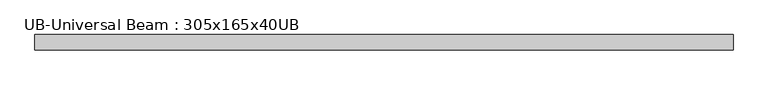
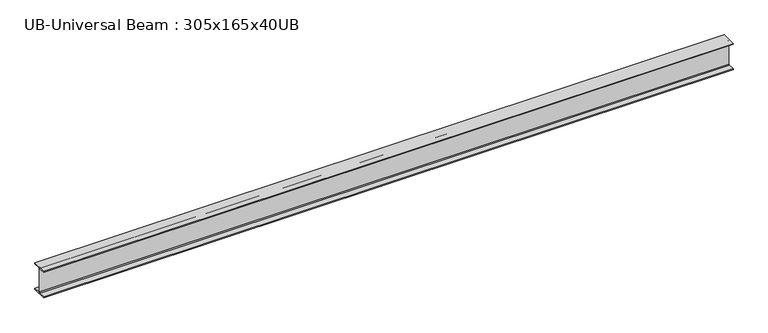
"""IFC4 building model written with IfcOpenShell, lengths in millimetres: beam geometry, UB-Universal Beam : 305x165x40UB."""

import ifcopenshell
import ifcopenshell.guid

model = None  # the IFC model being written
_history = None  # IfcOwnerHistory: only IFC2X3 demands one
_inside = {}  # id of a spatial element -> (the spatial element, [elements in it])
_under = {}  # id of a project, library or spatial element -> (it, [spatial elements below it])
_declared = {}  # id of a project -> (the project, [libraries it declares])
_typed = {}  # id of a type object -> (the type object, [elements of that type])
_made_of = {}  # id of a material, layer set ... -> (it, [elements and type objects made of it])


def new_model(schema):
    """Start an empty IFC model of exactly this schema.

    Asked for "IFC4X3", IfcOpenShell would pick the latest addendum, in which some entities
    have other attributes; the version numbers below select the first issue.
    IFC2X3 requires an IfcOwnerHistory on every rooted entity: one is made here for all.
    """
    global model, _history
    if schema == "IFC4X3":
        model = ifcopenshell.file(schema_version=(4, 3, 0, 0))
    else:
        model = ifcopenshell.file(schema=schema)
    _inside.clear()
    _under.clear()
    _declared.clear()
    _typed.clear()
    _made_of.clear()
    _history = None
    if model.schema == "IFC2X3":
        org = make("IfcOrganization", Name="unknown")
        user = make(
            "IfcPersonAndOrganization",
            ThePerson=make("IfcPerson", FamilyName="unknown"),
            TheOrganization=org,
        )
        app = make(
            "IfcApplication",
            ApplicationDeveloper=org,
            Version="unknown",
            ApplicationFullName="unknown",
            ApplicationIdentifier="unknown",
        )
        _history = make(
            "IfcOwnerHistory",
            OwningUser=user,
            OwningApplication=app,
            ChangeAction="ADDED",
            CreationDate=0,
        )
    return model


def make(cls, **values):
    """One entity of the class cls with the attributes given. An attribute that is None is left unset."""
    return model.create_entity(
        cls, **{name: value for name, value in values.items() if value is not None}
    )


def rooted(cls, **values):
    """An entity with a GlobalId (a new one), such as an element, a storey or a relation."""
    return make(cls, GlobalId=ifcopenshell.guid.new(), OwnerHistory=_history, **values)


def si_unit(unit_type, name, prefix=None):
    """IfcSIUnit, for example si_unit("LENGTHUNIT", "METRE", prefix="MILLI")."""
    return make("IfcSIUnit", UnitType=unit_type, Prefix=prefix, Name=name)


def assignment(units):
    """IfcUnitAssignment: the units of a project."""
    return None if units is None else make("IfcUnitAssignment", Units=units)


def point(xyz):
    """IfcCartesianPoint."""
    return None if xyz is None else make("IfcCartesianPoint", Coordinates=xyz)


def direction(xyz):
    """IfcDirection."""
    return None if xyz is None else make("IfcDirection", DirectionRatios=xyz)


def frame(location, z_axis=None, x_axis=None):
    """IfcAxis2Placement3D, a coordinate frame: its origin and axes. An axis left out is left unset."""
    return make(
        "IfcAxis2Placement3D",
        Location=point(location),
        Axis=direction(z_axis),
        RefDirection=direction(x_axis),
    )


def frame_2d(location, x_axis=None):
    """IfcAxis2Placement2D, a coordinate frame in the plane: its origin and x axis."""
    return make(
        "IfcAxis2Placement2D", Location=point(location), RefDirection=direction(x_axis)
    )


def origin():
    """The frame at (0, 0, 0) with its axes left unset."""
    return frame((0.0, 0.0, 0.0))


def place(relative_to, where):
    """IfcLocalPlacement: puts the frame where relative to a parent placement (None: the world)."""
    return make(
        "IfcLocalPlacement", PlacementRelTo=relative_to, RelativePlacement=where
    )


def context(
    kind, dimensions, precision=None, world=None, true_north=None, identifier=None
):
    """IfcGeometricRepresentationContext, for example the 3D "Model" context."""
    return make(
        "IfcGeometricRepresentationContext",
        ContextIdentifier=identifier,
        ContextType=kind,
        CoordinateSpaceDimension=dimensions,
        Precision=precision,
        WorldCoordinateSystem=world,
        TrueNorth=true_north,
    )


def project(units=None, contexts=None):
    """IfcProject with its units and contexts."""
    return rooted(
        "IfcProject",
        Name="project",
        RepresentationContexts=contexts,
        UnitsInContext=assignment(units),
    )


def spatial(cls, under=None, at=None, **own):
    """A site, building, storey or space (cls), placed at a placement, below another one or the project."""
    s = rooted(cls, ObjectPlacement=at, **own)
    if under is not None:
        _under.setdefault(under.id(), (under, []))[1].append(s)
    return s


def polyline(points):
    """IfcPolyline through the points."""
    return make("IfcPolyline", Points=[point(p) for p in points])


def circle_curve(where, radius):
    """IfcCircle in the frame where."""
    return make("IfcCircle", Position=where, Radius=radius)


def trimmed(basis, trim1, trim2, sense, master):
    """IfcTrimmedCurve: the piece of a basis curve between two trims."""
    return make(
        "IfcTrimmedCurve",
        BasisCurve=basis,
        Trim1=trim1,
        Trim2=trim2,
        SenseAgreement=sense,
        MasterRepresentation=master,
    )


def segment(curve, same_sense, transition):
    """IfcCompositeCurveSegment."""
    return make(
        "IfcCompositeCurveSegment",
        Transition=transition,
        SameSense=same_sense,
        ParentCurve=curve,
    )


def composite_curve(segments, self_intersect=None):
    """IfcCompositeCurve: segments joined end to end."""
    return make("IfcCompositeCurve", Segments=segments, SelfIntersect=self_intersect)


def outline(outer, holes=None, kind="AREA"):
    """IfcArbitraryClosedProfileDef: a profile drawn as a closed curve; with holes, ...WithVoids."""
    if holes is None:
        return make("IfcArbitraryClosedProfileDef", ProfileType=kind, OuterCurve=outer)
    return make(
        "IfcArbitraryProfileDefWithVoids",
        ProfileType=kind,
        OuterCurve=outer,
        InnerCurves=holes,
    )


def extrude(swept, where, along, depth):
    """IfcExtrudedAreaSolid: the profile swept, set in the frame where, extruded along a direction by depth."""
    return make(
        "IfcExtrudedAreaSolid",
        SweptArea=swept,
        Position=where,
        ExtrudedDirection=direction(along),
        Depth=depth,
    )


def shape(context_of_items, identifier, shape_type, items):
    """IfcShapeRepresentation: the items that make up one representation, for example the "Body"."""
    return make(
        "IfcShapeRepresentation",
        ContextOfItems=context_of_items,
        RepresentationIdentifier=identifier,
        RepresentationType=shape_type,
        Items=items,
    )


def source(mapping_origin, context_of_items, identifier, shape_type, items):
    """IfcRepresentationMap: a shape defined once, which mapped items show again and again."""
    return make(
        "IfcRepresentationMap",
        MappingOrigin=mapping_origin,
        MappedRepresentation=shape(context_of_items, identifier, shape_type, items),
    )


def transform(
    local_origin,
    x_axis=None,
    y_axis=None,
    z_axis=None,
    scale=None,
    scale2=None,
    scale3=None,
    uniform=True,
):
    """IfcCartesianTransformationOperator3D, or its non-uniform kind. x_axis, y_axis, z_axis: its Axis1, 2, 3."""
    if uniform:
        return make(
            "IfcCartesianTransformationOperator3D",
            Axis1=direction(x_axis),
            Axis2=direction(y_axis),
            LocalOrigin=point(local_origin),
            Scale=scale,
            Axis3=direction(z_axis),
        )
    return make(
        "IfcCartesianTransformationOperator3DnonUniform",
        Axis1=direction(x_axis),
        Axis2=direction(y_axis),
        LocalOrigin=point(local_origin),
        Scale=scale,
        Axis3=direction(z_axis),
        Scale2=scale2,
        Scale3=scale3,
    )


def mapped(mapping_source, mapping_target):
    """IfcMappedItem: shows the shape of a source again, moved by a transform."""
    return make(
        "IfcMappedItem", MappingSource=mapping_source, MappingTarget=mapping_target
    )


def made_of(thing, what):
    """Note that an element or type object is made of a material, layer set ...; save() writes the relation."""
    if what is not None:
        _made_of.setdefault(what.id(), (what, []))[1].append(thing)
    return thing


def element(
    cls,
    number,
    at=None,
    inside=None,
    cuts=None,
    type_object=None,
    material=None,
    context=None,
    identifier="Body",
    shape_type=None,
    held_by="IfcProductDefinitionShape",
    body=None,
    shapes=None,
    **own,
):
    """One element of the class cls, such as IfcWall. Its Tag is "e" and its number.

    at: its placement. inside: the storey or other place that contains it. cuts: it is an
    opening in that element (IfcRelVoidsElement). A single representation is given by context,
    identifier, shape_type and body (its items); several are given by shapes. held_by: the class
    of the entity that holds the representations. save() writes the other relations.
    """
    e = rooted(cls, Tag="e%d" % number, ObjectPlacement=at, **own)
    if body is not None:
        shapes = [shape(context, identifier, shape_type, body)]
    if shapes is not None:
        e.Representation = make(held_by, Representations=shapes)
    if inside is not None:
        _inside.setdefault(inside.id(), (inside, []))[1].append(e)
    if cuts is not None:
        rooted(
            "IfcRelVoidsElement", RelatingBuildingElement=cuts, RelatedOpeningElement=e
        )
    if type_object is not None:
        _typed.setdefault(type_object.id(), (type_object, []))[1].append(e)
    return made_of(e, material)


def aggregate(whole, parts):
    """IfcRelAggregates: a whole, such as a stair, and the parts it consists of."""
    return rooted("IfcRelAggregates", RelatingObject=whole, RelatedObjects=parts)


def save(model, path):
    """Write the relations noted so far, then the file.

    IfcRelAggregates (storeys below a building ...), IfcRelContainedInSpatialStructure (elements
    in a storey), IfcRelDefinesByType, IfcRelAssociatesMaterial and IfcRelDeclares: one each for
    every whole, place, type object, material and project.
    """
    for whole, parts in _under.values():
        aggregate(whole, parts)
    for where, things in _inside.values():
        rooted(
            "IfcRelContainedInSpatialStructure",
            RelatedElements=things,
            RelatingStructure=where,
        )
    for kind, things in _typed.values():
        rooted("IfcRelDefinesByType", RelatedObjects=things, RelatingType=kind)
    for what, things in _made_of.values():
        rooted("IfcRelAssociatesMaterial", RelatedObjects=things, RelatingMaterial=what)
    for by, libraries in _declared.values():
        rooted("IfcRelDeclares", RelatingContext=by, RelatedDefinitions=libraries)
    model.write(path)


def ub_universal_beam_305x165x40ub_7de67d73(model_context):
    return source(origin(), model_context, "Body", "SweptSolid", [
        extrude(outline(composite_curve([segment(polyline([(82.5, -141.5), (82.5, -151.7), (-82.5, -151.7), (-82.5, -141.5), (-11.9, -141.5)]), True, "CONTINUOUS"), segment(trimmed(circle_curve(frame_2d((-11.9, -132.6)), 8.9), [point((-11.9, -141.5))], [point((-3.0, -132.6))], True, "CARTESIAN"), True, "CONTINUOUS"), segment(polyline([(-3.0, -132.6), (-3.0, 132.6)]), True, "CONTINUOUS"), segment(trimmed(circle_curve(frame_2d((-11.9, 132.6)), 8.9), [point((-3.0, 132.6))], [point((-11.9, 141.5))], True, "CARTESIAN"), True, "CONTINUOUS"), segment(polyline([(-11.9, 141.5), (-82.5, 141.5), (-82.5, 151.7), (82.5, 151.7), (82.5, 141.5), (11.9, 141.5)]), True, "CONTINUOUS"), segment(trimmed(circle_curve(frame_2d((11.9, 132.6)), 8.9), [point((11.9, 141.5))], [point((3.0, 132.6))], True, "CARTESIAN"), True, "CONTINUOUS"), segment(polyline([(3.0, 132.6), (3.0, -132.6)]), True, "CONTINUOUS"), segment(trimmed(circle_curve(frame_2d((11.9, -132.6)), 8.9), [point((3.0, -132.6))], [point((11.9, -141.5))], True, "CARTESIAN"), True, "CONTINUOUS"), segment(polyline([(11.9, -141.5), (82.5, -141.5)]), True, "CONTINUOUS")], self_intersect=False)), frame((-3767.1913843, 0.0, 0.0), z_axis=(1.0, 0.0, 0.0), x_axis=(0.0, 1.0, 0.0)), (0.0, 0.0, 1.0), 7526.8341559),
    ])


if __name__ == "__main__":
    model = new_model("IFC4")
    model_context = context("Model", 3, world=origin())
    ifc_project = project(units=[si_unit("LENGTHUNIT", "METRE", prefix="MILLI")], contexts=[model_context])
    site = spatial("IfcSite", under=ifc_project)
    building = spatial("IfcBuilding", under=site)
    placement = place(None, origin())
    ub_universal_beam_305x165x40ub_shape = ub_universal_beam_305x165x40ub_7de67d73(model_context)
    element("IfcBeam", 1, ObjectType="UB-Universal Beam : 305x165x40UB", at=placement, inside=building, context=model_context, shape_type="MappedRepresentation", body=[
        mapped(ub_universal_beam_305x165x40ub_shape, transform((0.0, 0.0, 0.0), x_axis=(1.0, 0.0, 0.0), y_axis=(0.0, 1.0, 0.0), z_axis=(0.0, 0.0, 1.0))),
    ])
    save(model, "model.ifc")
